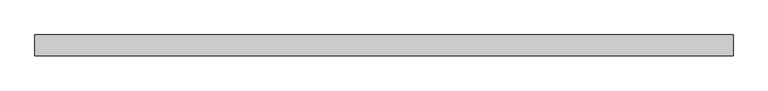
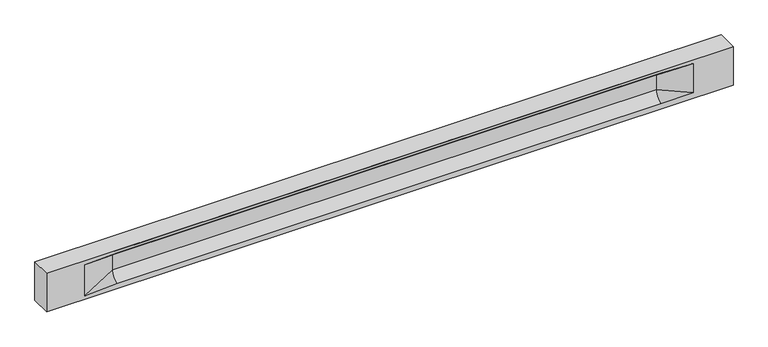
"""IFC4 building model written with IfcOpenShell, lengths in millimetres: beam geometry."""

import ifcopenshell
import ifcopenshell.guid

model = None  # the IFC model being written
_history = None  # IfcOwnerHistory: only IFC2X3 demands one
_inside = {}  # id of a spatial element -> (the spatial element, [elements in it])
_under = {}  # id of a project, library or spatial element -> (it, [spatial elements below it])
_declared = {}  # id of a project -> (the project, [libraries it declares])
_typed = {}  # id of a type object -> (the type object, [elements of that type])
_made_of = {}  # id of a material, layer set ... -> (it, [elements and type objects made of it])


def new_model(schema):
    """Start an empty IFC model of exactly this schema.

    Asked for "IFC4X3", IfcOpenShell would pick the latest addendum, in which some entities
    have other attributes; the version numbers below select the first issue.
    IFC2X3 requires an IfcOwnerHistory on every rooted entity: one is made here for all.
    """
    global model, _history
    if schema == "IFC4X3":
        model = ifcopenshell.file(schema_version=(4, 3, 0, 0))
    else:
        model = ifcopenshell.file(schema=schema)
    _inside.clear()
    _under.clear()
    _declared.clear()
    _typed.clear()
    _made_of.clear()
    _history = None
    if model.schema == "IFC2X3":
        org = make("IfcOrganization", Name="unknown")
        user = make(
            "IfcPersonAndOrganization",
            ThePerson=make("IfcPerson", FamilyName="unknown"),
            TheOrganization=org,
        )
        app = make(
            "IfcApplication",
            ApplicationDeveloper=org,
            Version="unknown",
            ApplicationFullName="unknown",
            ApplicationIdentifier="unknown",
        )
        _history = make(
            "IfcOwnerHistory",
            OwningUser=user,
            OwningApplication=app,
            ChangeAction="ADDED",
            CreationDate=0,
        )
    return model


def make(cls, **values):
    """One entity of the class cls with the attributes given. An attribute that is None is left unset."""
    return model.create_entity(
        cls, **{name: value for name, value in values.items() if value is not None}
    )


def rooted(cls, **values):
    """An entity with a GlobalId (a new one), such as an element, a storey or a relation."""
    return make(cls, GlobalId=ifcopenshell.guid.new(), OwnerHistory=_history, **values)


def si_unit(unit_type, name, prefix=None):
    """IfcSIUnit, for example si_unit("LENGTHUNIT", "METRE", prefix="MILLI")."""
    return make("IfcSIUnit", UnitType=unit_type, Prefix=prefix, Name=name)


def assignment(units):
    """IfcUnitAssignment: the units of a project."""
    return None if units is None else make("IfcUnitAssignment", Units=units)


def point(xyz):
    """IfcCartesianPoint."""
    return None if xyz is None else make("IfcCartesianPoint", Coordinates=xyz)


def direction(xyz):
    """IfcDirection."""
    return None if xyz is None else make("IfcDirection", DirectionRatios=xyz)


def frame(location, z_axis=None, x_axis=None):
    """IfcAxis2Placement3D, a coordinate frame: its origin and axes. An axis left out is left unset."""
    return make(
        "IfcAxis2Placement3D",
        Location=point(location),
        Axis=direction(z_axis),
        RefDirection=direction(x_axis),
    )


def origin():
    """The frame at (0, 0, 0) with its axes left unset."""
    return frame((0.0, 0.0, 0.0))


def place(relative_to, where):
    """IfcLocalPlacement: puts the frame where relative to a parent placement (None: the world)."""
    return make(
        "IfcLocalPlacement", PlacementRelTo=relative_to, RelativePlacement=where
    )


def context(
    kind, dimensions, precision=None, world=None, true_north=None, identifier=None
):
    """IfcGeometricRepresentationContext, for example the 3D "Model" context."""
    return make(
        "IfcGeometricRepresentationContext",
        ContextIdentifier=identifier,
        ContextType=kind,
        CoordinateSpaceDimension=dimensions,
        Precision=precision,
        WorldCoordinateSystem=world,
        TrueNorth=true_north,
    )


def project(units=None, contexts=None):
    """IfcProject with its units and contexts."""
    return rooted(
        "IfcProject",
        Name="project",
        RepresentationContexts=contexts,
        UnitsInContext=assignment(units),
    )


def spatial(cls, under=None, at=None, **own):
    """A site, building, storey or space (cls), placed at a placement, below another one or the project."""
    s = rooted(cls, ObjectPlacement=at, **own)
    if under is not None:
        _under.setdefault(under.id(), (under, []))[1].append(s)
    return s


def polyline(points):
    """IfcPolyline through the points."""
    return make("IfcPolyline", Points=[point(p) for p in points])


def circle_curve(where, radius):
    """IfcCircle in the frame where."""
    return make("IfcCircle", Position=where, Radius=radius)


def shape(context_of_items, identifier, shape_type, items):
    """IfcShapeRepresentation: the items that make up one representation, for example the "Body"."""
    return make(
        "IfcShapeRepresentation",
        ContextOfItems=context_of_items,
        RepresentationIdentifier=identifier,
        RepresentationType=shape_type,
        Items=items,
    )


def source(mapping_origin, context_of_items, identifier, shape_type, items):
    """IfcRepresentationMap: a shape defined once, which mapped items show again and again."""
    return make(
        "IfcRepresentationMap",
        MappingOrigin=mapping_origin,
        MappedRepresentation=shape(context_of_items, identifier, shape_type, items),
    )


def transform(
    local_origin,
    x_axis=None,
    y_axis=None,
    z_axis=None,
    scale=None,
    scale2=None,
    scale3=None,
    uniform=True,
):
    """IfcCartesianTransformationOperator3D, or its non-uniform kind. x_axis, y_axis, z_axis: its Axis1, 2, 3."""
    if uniform:
        return make(
            "IfcCartesianTransformationOperator3D",
            Axis1=direction(x_axis),
            Axis2=direction(y_axis),
            LocalOrigin=point(local_origin),
            Scale=scale,
            Axis3=direction(z_axis),
        )
    return make(
        "IfcCartesianTransformationOperator3DnonUniform",
        Axis1=direction(x_axis),
        Axis2=direction(y_axis),
        LocalOrigin=point(local_origin),
        Scale=scale,
        Axis3=direction(z_axis),
        Scale2=scale2,
        Scale3=scale3,
    )


def mapped(mapping_source, mapping_target):
    """IfcMappedItem: shows the shape of a source again, moved by a transform."""
    return make(
        "IfcMappedItem", MappingSource=mapping_source, MappingTarget=mapping_target
    )


def made_of(thing, what):
    """Note that an element or type object is made of a material, layer set ...; save() writes the relation."""
    if what is not None:
        _made_of.setdefault(what.id(), (what, []))[1].append(thing)
    return thing


def element(
    cls,
    number,
    at=None,
    inside=None,
    cuts=None,
    type_object=None,
    material=None,
    context=None,
    identifier="Body",
    shape_type=None,
    held_by="IfcProductDefinitionShape",
    body=None,
    shapes=None,
    **own,
):
    """One element of the class cls, such as IfcWall. Its Tag is "e" and its number.

    at: its placement. inside: the storey or other place that contains it. cuts: it is an
    opening in that element (IfcRelVoidsElement). A single representation is given by context,
    identifier, shape_type and body (its items); several are given by shapes. held_by: the class
    of the entity that holds the representations. save() writes the other relations.
    """
    e = rooted(cls, Tag="e%d" % number, ObjectPlacement=at, **own)
    if body is not None:
        shapes = [shape(context, identifier, shape_type, body)]
    if shapes is not None:
        e.Representation = make(held_by, Representations=shapes)
    if inside is not None:
        _inside.setdefault(inside.id(), (inside, []))[1].append(e)
    if cuts is not None:
        rooted(
            "IfcRelVoidsElement", RelatingBuildingElement=cuts, RelatedOpeningElement=e
        )
    if type_object is not None:
        _typed.setdefault(type_object.id(), (type_object, []))[1].append(e)
    return made_of(e, material)


def aggregate(whole, parts):
    """IfcRelAggregates: a whole, such as a stair, and the parts it consists of."""
    return rooted("IfcRelAggregates", RelatingObject=whole, RelatedObjects=parts)


def save(model, path):
    """Write the relations noted so far, then the file.

    IfcRelAggregates (storeys below a building ...), IfcRelContainedInSpatialStructure (elements
    in a storey), IfcRelDefinesByType, IfcRelAssociatesMaterial and IfcRelDeclares: one each for
    every whole, place, type object, material and project.
    """
    for whole, parts in _under.values():
        aggregate(whole, parts)
    for where, things in _inside.values():
        rooted(
            "IfcRelContainedInSpatialStructure",
            RelatedElements=things,
            RelatingStructure=where,
        )
    for kind, things in _typed.values():
        rooted("IfcRelDefinesByType", RelatedObjects=things, RelatingType=kind)
    for what, things in _made_of.values():
        rooted("IfcRelAssociatesMaterial", RelatedObjects=things, RelatingMaterial=what)
    for by, libraries in _declared.values():
        rooted("IfcRelDeclares", RelatingContext=by, RelatedDefinitions=libraries)
    model.write(path)


def plane_surface(at):
    """IfcPlane: the flat surface through the origin of the frame at, square to its z axis."""
    return make("IfcPlane", Position=at)


def revolved_surface(curve, axis_point, axis_direction):
    """IfcSurfaceOfRevolution: the curve turned about the line through axis_point along axis_direction."""
    return make(
        "IfcSurfaceOfRevolution",
        SweptCurve=make("IfcArbitraryOpenProfileDef", ProfileType="CURVE", Curve=curve),
        AxisPosition=make("IfcAxis1Placement", Location=point(axis_point), Axis=direction(axis_direction)),
    )


def spline_surface(u_degree, v_degree, points, u_multiplicities, v_multiplicities, u_knots, v_knots, weights=None):
    """IfcBSplineSurfaceWithKnots; with weights, IfcRationalBSplineSurfaceWithKnots. points: one row for each step in u."""
    own = dict(
        UDegree=u_degree,
        VDegree=v_degree,
        ControlPointsList=[[point(p) for p in row] for row in points],
        SurfaceForm="UNSPECIFIED",
        UClosed=False,
        VClosed=False,
        SelfIntersect=False,
        UMultiplicities=u_multiplicities,
        VMultiplicities=v_multiplicities,
        UKnots=u_knots,
        VKnots=v_knots,
        KnotSpec="UNSPECIFIED",
    )
    if weights is None:
        return make("IfcBSplineSurfaceWithKnots", **own)
    return make("IfcRationalBSplineSurfaceWithKnots", WeightsData=weights, **own)


def advanced_brep(points, edges, surfaces, faces):
    """IfcAdvancedBrep: a solid bounded by faces that lie on surfaces and meet in shared edges.

    An edge is (start, end): straight between two places in points (the first is 0);
    or (start, end, curve); or (start, end, curve, False) where it runs against its curve.
    A face is (place in surfaces, loops), or (place, loops, False) where it looks against
    its surface's normal. A loop lists edges by number (the first is 1), with a minus sign
    where the edge is run from its end to its start. The first loop is the outer one.
    """
    corners = [point(p) for p in points]
    vertices = [make("IfcVertexPoint", VertexGeometry=c) for c in corners]
    made = []
    for start, end, *more in edges:
        made.append(
            make(
                "IfcEdgeCurve",
                EdgeStart=vertices[start],
                EdgeEnd=vertices[end],
                EdgeGeometry=more[0] if more else make("IfcPolyline", Points=[corners[start], corners[end]]),
                SameSense=more[1] if len(more) > 1 else True,
            )
        )
    hull = []
    for where, loops, *sense in faces:
        bounds = []
        for j, loop in enumerate(loops):
            ring = [make("IfcOrientedEdge", EdgeElement=made[abs(k) - 1], Orientation=k > 0) for k in loop]
            bounds.append(
                make(
                    "IfcFaceOuterBound" if j == 0 else "IfcFaceBound",
                    Bound=make("IfcEdgeLoop", EdgeList=ring),
                    Orientation=True,
                )
            )
        hull.append(make("IfcAdvancedFace", Bounds=bounds, FaceSurface=surfaces[where], SameSense=sense[0] if sense else True))
    return make("IfcAdvancedBrep", Outer=make("IfcClosedShell", CfsFaces=hull))


def beam_20e618a2(model_context):
    return source(origin(), model_context, "Body", "AdvancedBrep", [
        advanced_brep(
        [(8433.5, -250.0, 500.0), (8433.5, -250.0, -500.0), (8433.5, 250.0, -500.0), (8433.5, 250.0, 500.0), (-8433.5, -250.0, 500.0), (-8433.5, -250.0, -500.0), (7458.5, -250.0, -362.0), (6658.5, -250.0, -360.0), (-6703.5, -250.0, -360.0), (-7503.5, -250.0, -400.0), (-7503.5, -250.0, 400.0), (-6703.5, -250.0, 435.0), (6658.5, -250.0, 435.0), (7458.5, -250.0, 400.0), (-8433.5, 250.0, -500.0), (-8433.5, 250.0, 500.0), (7458.5, 250.0, 400.0), (6658.5, 250.0, 435.0), (-6703.5, 250.0, 435.0), (-7503.5, 250.0, 400.0), (-7503.5, 250.0, -400.0), (-6703.5, 250.0, -360.0), (6658.5, 250.0, -360.0), (7458.5, 250.0, -362.0), (6658.5, 155.0, 405.0), (-6703.5, 155.0, 405.0), (6658.5, 60.0, 262.777021), (-6703.5, 60.0, 262.777021), (6658.5, 60.0, -120.0), (-6703.5, 60.0, -120.0), (6658.5, -60.0, -120.0), (-6703.5, -60.0, -120.0), (6658.5, -60.0, 262.777021), (-6703.5, -60.0, 262.777021), (6658.5, -155.0, 405.0), (-6703.5, -155.0, 405.0)],
        [
            (0, 1),
            (1, 2),
            (2, 3),
            (3, 0),
            (0, 4),
            (4, 5),
            (5, 1),
            (6, 7),
            (7, 8),
            (8, 9),
            (9, 10),
            (10, 11),
            (11, 12),
            (12, 13),
            (13, 6),
            (5, 14),
            (14, 2),
            (14, 15),
            (15, 3),
            (16, 17),
            (17, 18),
            (18, 19),
            (19, 20),
            (20, 21),
            (21, 22),
            (22, 23),
            (23, 16),
            (15, 4),
            (17, 24),
            (24, 25),
            (25, 18),
            (24, 26, circle_curve(frame((6658.5, 213.9598725, 262.777021), z_axis=(1.0, 0.0, 0.0), x_axis=(0.0, 1.0, 0.0)), 153.9598725)),
            (26, 27),
            (27, 25, circle_curve(frame((-6703.5, 213.9598725, 262.777021), z_axis=(-1.0, 0.0, 0.0), x_axis=(0.0, 1.0, 0.0)), 153.9598725)),
            (26, 28),
            (28, 29),
            (29, 27),
            (28, 22, circle_curve(frame((6658.5, 306.5789474, -120.0), z_axis=(1.0, 0.0, 0.0), x_axis=(0.0, 1.0, 0.0)), 246.5789474)),
            (21, 29, circle_curve(frame((-6703.5, 306.5789474, -120.0), z_axis=(-1.0, 0.0, 0.0), x_axis=(0.0, 1.0, 0.0)), 246.5789474)),
            (7, 30, circle_curve(frame((6658.5, -306.5789474, -120.0), z_axis=(1.0, 0.0, 0.0), x_axis=(0.0, 1.0, 0.0)), 246.5789474)),
            (30, 31),
            (31, 8, circle_curve(frame((-6703.5, -306.5789474, -120.0), z_axis=(-1.0, 0.0, 0.0), x_axis=(0.0, 1.0, 0.0)), 246.5789474)),
            (30, 32),
            (32, 33),
            (33, 31),
            (32, 34, circle_curve(frame((6658.5, -213.9598725, 262.777021), z_axis=(1.0, 0.0, 0.0), x_axis=(0.0, 1.0, 0.0)), 153.9598725)),
            (34, 35),
            (35, 33, circle_curve(frame((-6703.5, -213.9598725, 262.777021), z_axis=(-1.0, 0.0, 0.0), x_axis=(0.0, 1.0, 0.0)), 153.9598725)),
            (34, 12),
            (11, 35),
            (27, 19),
            (19, 25),
            (10, 35),
            (10, 33),
            (9, 31),
            (20, 29),
            (34, 13),
            (32, 13),
            (30, 6),
            (28, 23),
            (26, 16),
            (24, 16),
        ],
        [
            plane_surface(frame((8433.5, 0.0, 0.0), z_axis=(1.0, 0.0, 0.0), x_axis=(0.0, 0.0, 1.0))),
            plane_surface(frame((8433.5, -250.0, 500.0), z_axis=(0.0, -1.0, 0.0), x_axis=(-1.0, 0.0, 0.0))),
            plane_surface(frame((8433.5, -250.0, -500.0), z_axis=(0.0, 0.0, -1.0), x_axis=(-1.0, 0.0, 0.0))),
            plane_surface(frame((8433.5, 250.0, -500.0), z_axis=(0.0, 1.0, 0.0), x_axis=(-1.0, 0.0, 0.0))),
            plane_surface(frame((8433.5, 250.0, 500.0), z_axis=(0.0, 0.0, 1.0), x_axis=(-1.0, 0.0, 0.0))),
            plane_surface(frame((-6703.5, 250.0, 435.0), z_axis=(0.0, 0.30113136793710954, -0.9535826651341378), x_axis=(1.0, 0.0, 0.0))),
            revolved_surface(polyline([(6658.5, 367.919745, 262.777021), (-6703.5, 367.919745, 262.777021)]), (-6703.5, 213.9598725, 262.777021), (1.0, 0.0, 0.0)),
            plane_surface(frame((-6703.5, 60.0, 262.777021), z_axis=(0.0, 1.0, 0.0), x_axis=(1.0, 0.0, 0.0))),
            revolved_surface(polyline([(6658.5, 553.1578948, -120.0), (-6703.5, 553.1578948, -120.0)]), (-6703.5, 306.5789474, -120.0), (1.0, 0.0, 0.0)),
            revolved_surface(polyline([(6658.5, -60.0, -120.0), (-6703.5, -60.0, -120.0)]), (-6703.5, -306.5789474, -120.0), (1.0, 0.0, 0.0)),
            plane_surface(frame((-6703.5, -60.0, -120.0), z_axis=(0.0, -1.0, 0.0), x_axis=(1.0, 0.0, 0.0))),
            revolved_surface(polyline([(6658.5, -60.0, 262.777021), (-6703.5, -60.0, 262.777021)]), (-6703.5, -213.9598725, 262.777021), (1.0, 0.0, 0.0)),
            plane_surface(frame((-6703.5, -155.0, 405.0), z_axis=(0.0, -0.30113136793710693, -0.9535826651341387), x_axis=(1.0, 0.0, 0.0))),
            spline_surface(2, 1, [[(-7503.5, 250.0, 400.0), (-6703.5, 60.0, 262.777021)], [(-7503.5, 250.0, 400.0), (-6703.5, 59.99999995452379, 365.6168572954922)], [(-7503.5, 250.0, 400.0), (-6703.5, 155.0, 405.0)]], [3, 3], [2, 2], [0.0, 1.0], [0.0, 1.0], weights=[[1.0, 1.0], [0.8315515921160737, 0.8315515921160737], [1.0, 1.0]]),
            plane_surface(frame((-7503.5, 250.0, 400.0), z_axis=(0.04168298285568771, 0.30086965068766386, -0.9527538938442265), x_axis=(0.0, 0.9535826651341378, 0.30113136793710954))),
            plane_surface(frame((-7503.5, -250.0, 400.0), z_axis=(0.041682982855687736, -0.30086965068766125, -0.9527538938442274), x_axis=(0.0, 0.9535826651341387, -0.30113136793710693))),
            spline_surface(2, 1, [[(-7503.5, -250.0, 400.0), (-6703.5, -155.0, 405.0)], [(-7503.5, -250.0, 400.0), (-6703.5, -60.00000008030692, 365.6168572114734)], [(-7503.5, -250.0, 400.0), (-6703.5, -60.0, 262.777021)]], [3, 3], [2, 2], [0.0, 1.0], [0.0, 1.0], weights=[[1.0, 1.0], [0.8315515924557569, 0.8315515924557569], [1.0, 1.0]]),
            plane_surface(frame((-7503.5, -250.0, 0.0), z_axis=(0.23107243079589934, -0.9729365507195596, 0.0), x_axis=(0.0, 0.0, -1.0))),
            spline_surface(2, 1, [[(-7503.5, -250.0, -400.0), (-6703.5, -60.0, -120.0)], [(-7503.5, -250.0, -400.0), (-6703.5, -59.99999998020837, -315.20833333333337)], [(-7503.5, -250.0, -400.0), (-6703.5, -250.0, -360.0)]], [3, 3], [2, 2], [0.0, 1.0], [0.0, 1.0], weights=[[1.0, 1.0], [0.7840458244617614, 0.7840458244617614], [1.0, 1.0]]),
            spline_surface(2, 1, [[(-7503.5, 250.0, -400.0), (-6703.5, 250.0, -360.0)], [(-7503.5, 250.0, -400.0), (-6703.5, 60.00000002887427, -315.20833329480604)], [(-7503.5, 250.0, -400.0), (-6703.5, 60.0, -120.0)]], [3, 3], [2, 2], [0.0, 1.0], [0.0, 1.0], weights=[[1.0, 1.0], [0.7840458245391329, 0.7840458245391329], [1.0, 1.0]]),
            plane_surface(frame((-7503.5, 250.0, 0.0), z_axis=(0.23107243079589507, 0.9729365507195608, 0.0), x_axis=(0.0, 0.0, 1.0))),
            plane_surface(frame((-8433.5, 0.0, 0.0), z_axis=(-1.0, 0.0, 0.0), x_axis=(0.0, 0.0, 1.0))),
            plane_surface(frame((6658.5, -202.5, 420.0), z_axis=(-0.04168298285568746, -0.30086965068766125, -0.9527538938442274), x_axis=(0.0, 0.9535826651341387, -0.30113136793710693))),
            spline_surface(2, 1, [[(6658.5, -155.0, 405.0), (7458.5, -250.0, 400.0)], [(6658.5, -60.00000008030692, 365.6168572114734), (7458.5, -250.0, 400.0)], [(6658.5, -60.0, 262.777021), (7458.5, -250.0, 400.0)]], [3, 3], [2, 2], [0.0, 1.0], [0.0, 1.0], weights=[[1.0, 1.0], [0.8315515924557569, 0.8315515924557569], [1.0, 1.0]]),
            plane_surface(frame((6658.5, -60.0, 71.3885105), z_axis=(-0.23107243079589737, -0.9729365507195602, 0.0), x_axis=(0.0, 0.0, -1.0))),
            spline_surface(2, 1, [[(6658.5, -60.0, -120.0), (7458.5, -250.0, -362.0)], [(6658.5, -59.99999998020837, -315.20833333333337), (7458.5, -250.0, -362.0)], [(6658.5, -250.0, -360.0), (7458.5, -250.0, -362.0)]], [3, 3], [2, 2], [0.0, 1.0], [0.0, 1.0], weights=[[1.0, 1.0], [0.7840458244617614, 0.7840458244617614], [1.0, 1.0]]),
            spline_surface(2, 1, [[(6658.5, 250.0, -360.0), (7458.5, 250.0, -362.0)], [(6658.5, 60.00000002887427, -315.20833329480604), (7458.5, 250.0, -362.0)], [(6658.5, 60.0, -120.0), (7458.5, 250.0, -362.0)]], [3, 3], [2, 2], [0.0, 1.0], [0.0, 1.0], weights=[[1.0, 1.0], [0.7840458245391329, 0.7840458245391329], [1.0, 1.0]]),
            plane_surface(frame((6658.5, 60.0, 71.3885105), z_axis=(-0.23107243079589093, 0.9729365507195618, 0.0), x_axis=(0.0, 0.0, 1.0))),
            spline_surface(2, 1, [[(6658.5, 60.0, 262.777021), (7458.5, 250.0, 400.0)], [(6658.5, 59.99999995452379, 365.6168572954922), (7458.5, 250.0, 400.0)], [(6658.5, 155.0, 405.0), (7458.5, 250.0, 400.0)]], [3, 3], [2, 2], [0.0, 1.0], [0.0, 1.0], weights=[[1.0, 1.0], [0.8315515921160737, 0.8315515921160737], [1.0, 1.0]]),
            plane_surface(frame((6658.5, 202.5, 420.0), z_axis=(-0.04168298285568672, 0.30086965068766386, -0.9527538938442265), x_axis=(0.0, 0.9535826651341378, 0.30113136793710954))),
        ],
        [
            (0, [[1, 2, 3, 4]]),
            (1, [[-1, 5, 6, 7], [8, 9, 10, 11, 12, 13, 14, 15]]),
            (2, [[-2, -7, 16, 17]]),
            (3, [[-3, -17, 18, 19], [20, 21, 22, 23, 24, 25, 26, 27]]),
            (4, [[-5, -4, -19, 28]]),
            (5, [[-21, 29, 30, 31]]),
            (6, [[-30, 32, 33, 34]]),
            (7, [[-33, 35, 36, 37]]),
            (8, [[-36, 38, -25, 39]]),
            (9, [[-9, 40, 41, 42]]),
            (10, [[-41, 43, 44, 45]]),
            (11, [[-44, 46, 47, 48]]),
            (12, [[-47, 49, -13, 50]]),
            (13, [[51, 52, -34]]),
            (14, [[-52, -22, -31]]),
            (15, [[-12, 53, -50]]),
            (16, [[-53, 54, -48]]),
            (17, [[-54, -11, 55, -45]]),
            (18, [[-55, -10, -42]]),
            (19, [[-24, 56, -39]]),
            (20, [[-51, -37, -56, -23]]),
            (21, [[-28, -18, -16, -6]]),
            (22, [[-14, -49, 57]]),
            (23, [[-57, -46, 58]]),
            (24, [[-58, -43, 59, -15]]),
            (25, [[-59, -40, -8]]),
            (26, [[-26, -38, 60]]),
            (27, [[-60, -35, 61, -27]]),
            (28, [[-61, -32, 62]]),
            (29, [[-62, -29, -20]]),
        ],
    ),
    ])


if __name__ == "__main__":
    model = new_model("IFC4")
    model_context = context("Model", 3, world=origin())
    ifc_project = project(units=[si_unit("LENGTHUNIT", "METRE", prefix="MILLI")], contexts=[model_context])
    site = spatial("IfcSite", under=ifc_project)
    building = spatial("IfcBuilding", under=site)
    placement = place(None, origin())
    beam_shape = beam_20e618a2(model_context)
    element("IfcBeam", 1, at=placement, inside=building, context=model_context, shape_type="MappedRepresentation", body=[
        mapped(beam_shape, transform((0.0, 0.0, 0.0), x_axis=(1.0, 0.0, 0.0), y_axis=(0.0, 1.0, 0.0), z_axis=(0.0, 0.0, 1.0))),
    ])
    save(model, "model.ifc")
